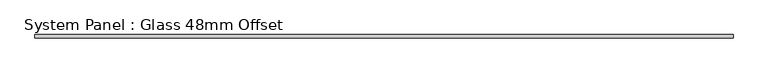
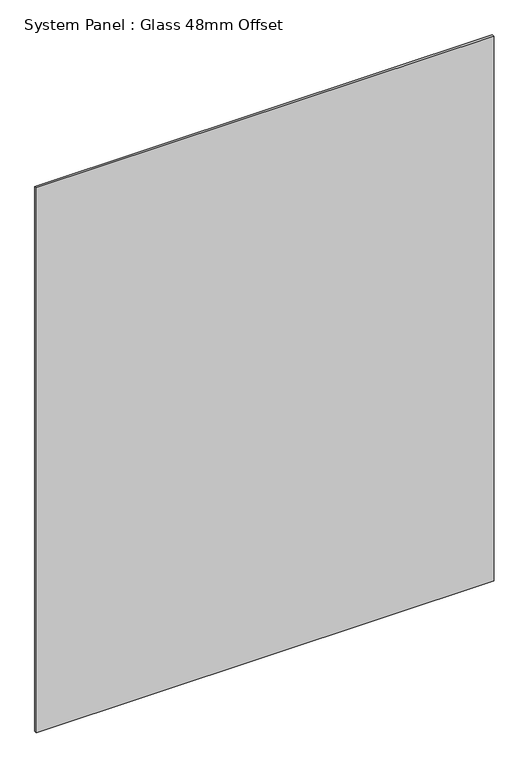
"""IFC4 building model written with IfcOpenShell, lengths in millimetres: plate geometry, System Panel : Glass 48mm Offset."""

from ifc_helpers import new_model, si_unit, origin, origin_with_axes, place, context, project, spatial, polyline, outline, extrude, source, transform, mapped, element, save


def system_panel_glass_48mm_offset_ff586346(model_context):
    return source(origin(), model_context, "Body", "SweptSolid", [
        extrude(outline(polyline([(1011.2505434, -53.0), (-1011.2505434, -53.0), (-1011.2505434, -43.0), (1011.2505434, -43.0), (1011.2505434, -53.0)])), origin_with_axes(), (0.0, 0.0, 1.0), 2545.0),
    ])


if __name__ == "__main__":
    model = new_model("IFC4")
    model_context = context("Model", 3, world=origin())
    ifc_project = project(units=[si_unit("LENGTHUNIT", "METRE", prefix="MILLI")], contexts=[model_context])
    site = spatial("IfcSite", under=ifc_project)
    building = spatial("IfcBuilding", under=site)
    placement = place(None, origin())
    system_panel_glass_48mm_offset_shape = system_panel_glass_48mm_offset_ff586346(model_context)
    element("IfcPlate", 1, ObjectType="System Panel : Glass 48mm Offset", at=placement, inside=building, context=model_context, shape_type="MappedRepresentation", body=[
        mapped(system_panel_glass_48mm_offset_shape, transform((0.0, 0.0, 0.0), x_axis=(1.0, 0.0, 0.0), y_axis=(0.0, 1.0, 0.0), z_axis=(0.0, 0.0, 1.0))),
    ])
    save(model, "model.ifc")
